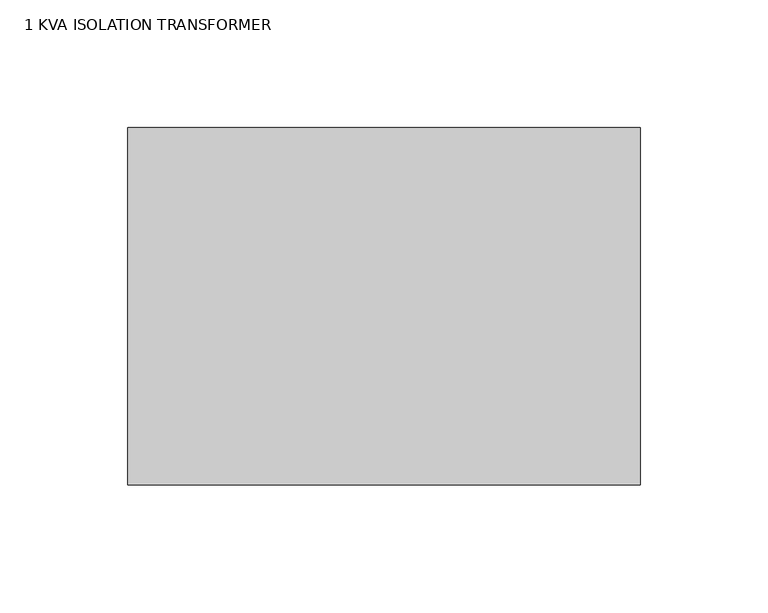
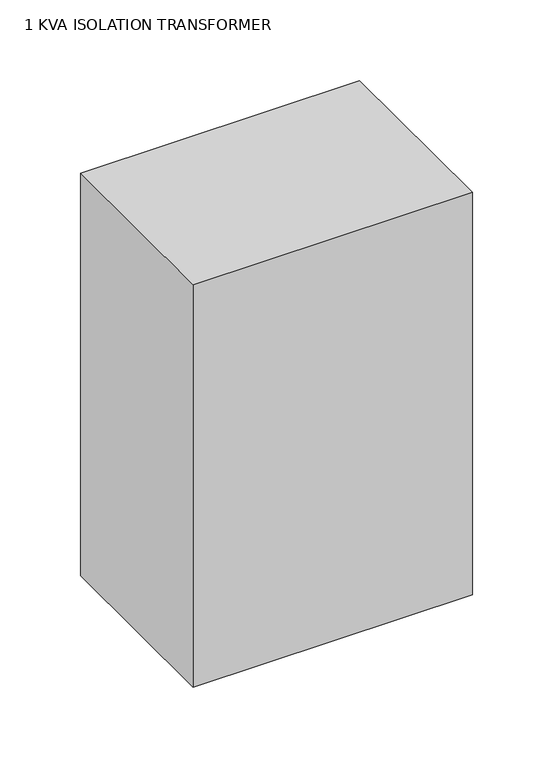
"""IFC4 building model written with IfcOpenShell, lengths in millimetres: proxy geometry, 1 KVA ISOLATION TRANSFORMER."""

from ifc_helpers import new_model, si_unit, frame, origin, place, context, project, spatial, polyline, outline, extrude, source, transform, mapped, element, save


def proxy_1_kva_isolation_transformer_81c7d733(model_context):
    return source(origin(), model_context, "Body", "SweptSolid", [
        extrude(outline(polyline([(200.152, 0.0), (200.152, -139.7), (0.0, -139.7), (0.0, 0.0), (200.152, 0.0)])), frame((0.0, 0.0, 1219.2), z_axis=(0.0, 0.0, 1.0), x_axis=(1.0, 0.0, 0.0)), (0.0, 0.0, 1.0), 304.8),
    ])


if __name__ == "__main__":
    model = new_model("IFC4")
    model_context = context("Model", 3, world=origin())
    ifc_project = project(units=[si_unit("LENGTHUNIT", "METRE", prefix="MILLI")], contexts=[model_context])
    site = spatial("IfcSite", under=ifc_project)
    building = spatial("IfcBuilding", under=site)
    placement = place(None, origin())
    proxy_1_kva_isolation_transformer_shape = proxy_1_kva_isolation_transformer_81c7d733(model_context)
    element("IfcBuildingElementProxy", 1, Name="1 KVA ISOLATION TRANSFORMER", ObjectType="1 KVA ISOLATION TRANSFORMER", at=placement, inside=building, context=model_context, shape_type="MappedRepresentation", body=[
        mapped(proxy_1_kva_isolation_transformer_shape, transform((0.0, 0.0, 0.0), x_axis=(1.0, 0.0, 0.0), y_axis=(0.0, 1.0, 0.0), z_axis=(0.0, 0.0, 1.0))),
    ])
    save(model, "model.ifc")
